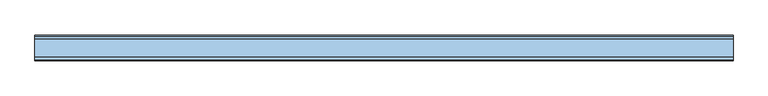
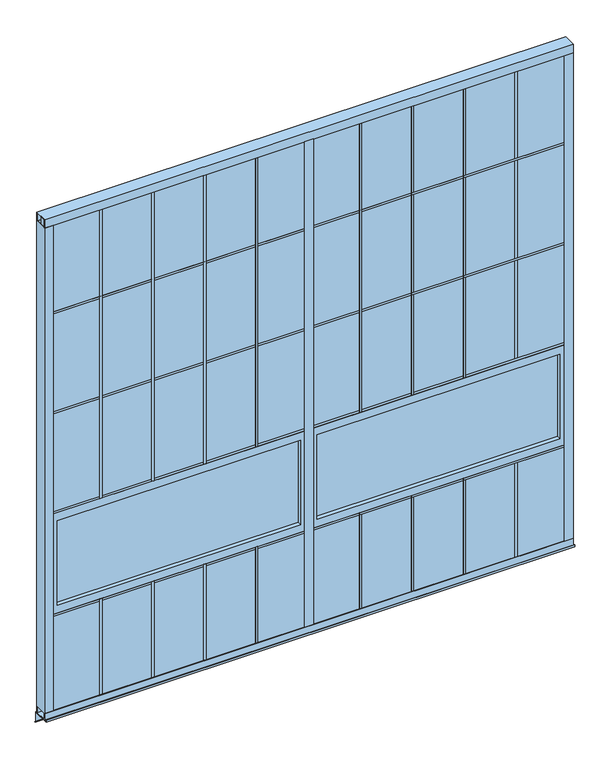
"""IFC4 building model written with IfcOpenShell, lengths in millimetres: window geometry."""

import ifcopenshell
import ifcopenshell.guid

model = None  # the IFC model being written
_history = None  # IfcOwnerHistory: only IFC2X3 demands one
_inside = {}  # id of a spatial element -> (the spatial element, [elements in it])
_under = {}  # id of a project, library or spatial element -> (it, [spatial elements below it])
_declared = {}  # id of a project -> (the project, [libraries it declares])
_typed = {}  # id of a type object -> (the type object, [elements of that type])
_made_of = {}  # id of a material, layer set ... -> (it, [elements and type objects made of it])


def new_model(schema):
    """Start an empty IFC model of exactly this schema.

    Asked for "IFC4X3", IfcOpenShell would pick the latest addendum, in which some entities
    have other attributes; the version numbers below select the first issue.
    IFC2X3 requires an IfcOwnerHistory on every rooted entity: one is made here for all.
    """
    global model, _history
    if schema == "IFC4X3":
        model = ifcopenshell.file(schema_version=(4, 3, 0, 0))
    else:
        model = ifcopenshell.file(schema=schema)
    _inside.clear()
    _under.clear()
    _declared.clear()
    _typed.clear()
    _made_of.clear()
    _history = None
    if model.schema == "IFC2X3":
        org = make("IfcOrganization", Name="unknown")
        user = make(
            "IfcPersonAndOrganization",
            ThePerson=make("IfcPerson", FamilyName="unknown"),
            TheOrganization=org,
        )
        app = make(
            "IfcApplication",
            ApplicationDeveloper=org,
            Version="unknown",
            ApplicationFullName="unknown",
            ApplicationIdentifier="unknown",
        )
        _history = make(
            "IfcOwnerHistory",
            OwningUser=user,
            OwningApplication=app,
            ChangeAction="ADDED",
            CreationDate=0,
        )
    return model


def make(cls, **values):
    """One entity of the class cls with the attributes given. An attribute that is None is left unset."""
    return model.create_entity(
        cls, **{name: value for name, value in values.items() if value is not None}
    )


def rooted(cls, **values):
    """An entity with a GlobalId (a new one), such as an element, a storey or a relation."""
    return make(cls, GlobalId=ifcopenshell.guid.new(), OwnerHistory=_history, **values)


def si_unit(unit_type, name, prefix=None):
    """IfcSIUnit, for example si_unit("LENGTHUNIT", "METRE", prefix="MILLI")."""
    return make("IfcSIUnit", UnitType=unit_type, Prefix=prefix, Name=name)


def assignment(units):
    """IfcUnitAssignment: the units of a project."""
    return None if units is None else make("IfcUnitAssignment", Units=units)


def point(xyz):
    """IfcCartesianPoint."""
    return None if xyz is None else make("IfcCartesianPoint", Coordinates=xyz)


def direction(xyz):
    """IfcDirection."""
    return None if xyz is None else make("IfcDirection", DirectionRatios=xyz)


def frame(location, z_axis=None, x_axis=None):
    """IfcAxis2Placement3D, a coordinate frame: its origin and axes. An axis left out is left unset."""
    return make(
        "IfcAxis2Placement3D",
        Location=point(location),
        Axis=direction(z_axis),
        RefDirection=direction(x_axis),
    )


def origin():
    """The frame at (0, 0, 0) with its axes left unset."""
    return frame((0.0, 0.0, 0.0))


def place(relative_to, where):
    """IfcLocalPlacement: puts the frame where relative to a parent placement (None: the world)."""
    return make(
        "IfcLocalPlacement", PlacementRelTo=relative_to, RelativePlacement=where
    )


def context(
    kind, dimensions, precision=None, world=None, true_north=None, identifier=None
):
    """IfcGeometricRepresentationContext, for example the 3D "Model" context."""
    return make(
        "IfcGeometricRepresentationContext",
        ContextIdentifier=identifier,
        ContextType=kind,
        CoordinateSpaceDimension=dimensions,
        Precision=precision,
        WorldCoordinateSystem=world,
        TrueNorth=true_north,
    )


def project(units=None, contexts=None):
    """IfcProject with its units and contexts."""
    return rooted(
        "IfcProject",
        Name="project",
        RepresentationContexts=contexts,
        UnitsInContext=assignment(units),
    )


def spatial(cls, under=None, at=None, **own):
    """A site, building, storey or space (cls), placed at a placement, below another one or the project."""
    s = rooted(cls, ObjectPlacement=at, **own)
    if under is not None:
        _under.setdefault(under.id(), (under, []))[1].append(s)
    return s


def polyline(points):
    """IfcPolyline through the points."""
    return make("IfcPolyline", Points=[point(p) for p in points])


def outline(outer, holes=None, kind="AREA"):
    """IfcArbitraryClosedProfileDef: a profile drawn as a closed curve; with holes, ...WithVoids."""
    if holes is None:
        return make("IfcArbitraryClosedProfileDef", ProfileType=kind, OuterCurve=outer)
    return make(
        "IfcArbitraryProfileDefWithVoids",
        ProfileType=kind,
        OuterCurve=outer,
        InnerCurves=holes,
    )


def extrude(swept, where, along, depth):
    """IfcExtrudedAreaSolid: the profile swept, set in the frame where, extruded along a direction by depth."""
    return make(
        "IfcExtrudedAreaSolid",
        SweptArea=swept,
        Position=where,
        ExtrudedDirection=direction(along),
        Depth=depth,
    )


def shape(context_of_items, identifier, shape_type, items):
    """IfcShapeRepresentation: the items that make up one representation, for example the "Body"."""
    return make(
        "IfcShapeRepresentation",
        ContextOfItems=context_of_items,
        RepresentationIdentifier=identifier,
        RepresentationType=shape_type,
        Items=items,
    )


def source(mapping_origin, context_of_items, identifier, shape_type, items):
    """IfcRepresentationMap: a shape defined once, which mapped items show again and again."""
    return make(
        "IfcRepresentationMap",
        MappingOrigin=mapping_origin,
        MappedRepresentation=shape(context_of_items, identifier, shape_type, items),
    )


def transform(
    local_origin,
    x_axis=None,
    y_axis=None,
    z_axis=None,
    scale=None,
    scale2=None,
    scale3=None,
    uniform=True,
):
    """IfcCartesianTransformationOperator3D, or its non-uniform kind. x_axis, y_axis, z_axis: its Axis1, 2, 3."""
    if uniform:
        return make(
            "IfcCartesianTransformationOperator3D",
            Axis1=direction(x_axis),
            Axis2=direction(y_axis),
            LocalOrigin=point(local_origin),
            Scale=scale,
            Axis3=direction(z_axis),
        )
    return make(
        "IfcCartesianTransformationOperator3DnonUniform",
        Axis1=direction(x_axis),
        Axis2=direction(y_axis),
        LocalOrigin=point(local_origin),
        Scale=scale,
        Axis3=direction(z_axis),
        Scale2=scale2,
        Scale3=scale3,
    )


def mapped(mapping_source, mapping_target):
    """IfcMappedItem: shows the shape of a source again, moved by a transform."""
    return make(
        "IfcMappedItem", MappingSource=mapping_source, MappingTarget=mapping_target
    )


def made_of(thing, what):
    """Note that an element or type object is made of a material, layer set ...; save() writes the relation."""
    if what is not None:
        _made_of.setdefault(what.id(), (what, []))[1].append(thing)
    return thing


def element(
    cls,
    number,
    at=None,
    inside=None,
    cuts=None,
    type_object=None,
    material=None,
    context=None,
    identifier="Body",
    shape_type=None,
    held_by="IfcProductDefinitionShape",
    body=None,
    shapes=None,
    **own,
):
    """One element of the class cls, such as IfcWall. Its Tag is "e" and its number.

    at: its placement. inside: the storey or other place that contains it. cuts: it is an
    opening in that element (IfcRelVoidsElement). A single representation is given by context,
    identifier, shape_type and body (its items); several are given by shapes. held_by: the class
    of the entity that holds the representations. save() writes the other relations.
    """
    e = rooted(cls, Tag="e%d" % number, ObjectPlacement=at, **own)
    if body is not None:
        shapes = [shape(context, identifier, shape_type, body)]
    if shapes is not None:
        e.Representation = make(held_by, Representations=shapes)
    if inside is not None:
        _inside.setdefault(inside.id(), (inside, []))[1].append(e)
    if cuts is not None:
        rooted(
            "IfcRelVoidsElement", RelatingBuildingElement=cuts, RelatedOpeningElement=e
        )
    if type_object is not None:
        _typed.setdefault(type_object.id(), (type_object, []))[1].append(e)
    return made_of(e, material)


def aggregate(whole, parts):
    """IfcRelAggregates: a whole, such as a stair, and the parts it consists of."""
    return rooted("IfcRelAggregates", RelatingObject=whole, RelatedObjects=parts)


def save(model, path):
    """Write the relations noted so far, then the file.

    IfcRelAggregates (storeys below a building ...), IfcRelContainedInSpatialStructure (elements
    in a storey), IfcRelDefinesByType, IfcRelAssociatesMaterial and IfcRelDeclares: one each for
    every whole, place, type object, material and project.
    """
    for whole, parts in _under.values():
        aggregate(whole, parts)
    for where, things in _inside.values():
        rooted(
            "IfcRelContainedInSpatialStructure",
            RelatedElements=things,
            RelatingStructure=where,
        )
    for kind, things in _typed.values():
        rooted("IfcRelDefinesByType", RelatedObjects=things, RelatingType=kind)
    for what, things in _made_of.values():
        rooted("IfcRelAssociatesMaterial", RelatedObjects=things, RelatingMaterial=what)
    for by, libraries in _declared.values():
        rooted("IfcRelDeclares", RelatingContext=by, RelatedDefinitions=libraries)
    model.write(path)


def window_e757e902(model_context):
    return source(origin(), model_context, "Body", "SweptSolid", [
        extrude(outline(polyline([(34.925, -6.35), (22.225, -6.35), (22.225, 63.5), (34.925, 63.5), (34.925, -6.35)])), frame((0.0, 0.0, 15.875), z_axis=(0.0, 0.0, 1.0), x_axis=(1.0, 0.0, 0.0)), (0.0, 0.0, 1.0), 609.6),
        extrude(outline(polyline([(334.01, -6.35), (321.31, -6.35), (321.31, 63.5), (334.01, 63.5), (334.01, -6.35)])), frame((0.0, 0.0, 15.875), z_axis=(0.0, 0.0, 1.0), x_axis=(1.0, 0.0, 0.0)), (0.0, 0.0, 1.0), 609.6),
        extrude(outline(polyline([(633.095, -6.35), (620.395, -6.35), (620.395, 63.5), (633.095, 63.5), (633.095, -6.35)])), frame((0.0, 0.0, 15.875), z_axis=(0.0, 0.0, 1.0), x_axis=(1.0, 0.0, 0.0)), (0.0, 0.0, 1.0), 609.6),
        extrude(outline(polyline([(932.18, -6.35), (919.48, -6.35), (919.48, 63.5), (932.18, 63.5), (932.18, -6.35)])), frame((0.0, 0.0, 15.875), z_axis=(0.0, 0.0, 1.0), x_axis=(1.0, 0.0, 0.0)), (0.0, 0.0, 1.0), 609.6),
        extrude(outline(polyline([(1231.265, -6.35), (1218.565, -6.35), (1218.565, 63.5), (1231.265, 63.5), (1231.265, -6.35)])), frame((0.0, 0.0, 15.875), z_axis=(0.0, 0.0, 1.0), x_axis=(1.0, 0.0, 0.0)), (0.0, 0.0, 1.0), 609.6),
        extrude(outline(polyline([(334.01, -6.35), (321.31, -6.35), (321.31, 63.5), (334.01, 63.5), (334.01, -6.35)])), frame((0.0, 0.0, 1235.075), z_axis=(0.0, 0.0, 1.0), x_axis=(1.0, 0.0, 0.0)), (0.0, 0.0, 1.0), 1790.7),
        extrude(outline(polyline([(633.095, -6.35), (620.395, -6.35), (620.395, 63.5), (633.095, 63.5), (633.095, -6.35)])), frame((0.0, 0.0, 1235.075), z_axis=(0.0, 0.0, 1.0), x_axis=(1.0, 0.0, 0.0)), (0.0, 0.0, 1.0), 1790.7),
        extrude(outline(polyline([(932.18, -6.35), (919.48, -6.35), (919.48, 63.5), (932.18, 63.5), (932.18, -6.35)])), frame((0.0, 0.0, 1235.075), z_axis=(0.0, 0.0, 1.0), x_axis=(1.0, 0.0, 0.0)), (0.0, 0.0, 1.0), 1790.7),
        extrude(outline(polyline([(1231.265, -6.35), (1218.565, -6.35), (1218.565, 63.5), (1231.265, 63.5), (1231.265, -6.35)])), frame((0.0, 0.0, 1235.075), z_axis=(0.0, 0.0, 1.0), x_axis=(1.0, 0.0, 0.0)), (0.0, 0.0, 1.0), 1790.7),
        extrude(outline(polyline([(1530.35, -6.35), (1517.65, -6.35), (1517.65, 63.5), (1530.35, 63.5), (1530.35, -6.35)])), frame((0.0, 0.0, 1235.075), z_axis=(0.0, 0.0, 1.0), x_axis=(1.0, 0.0, 0.0)), (0.0, 0.0, 1.0), 1790.7),
        extrude(outline(polyline([(1530.35, -6.35), (1517.65, -6.35), (1517.65, 63.5), (1530.35, 63.5), (1530.35, -6.35)])), frame((0.0, 0.0, 15.875), z_axis=(0.0, 0.0, 1.0), x_axis=(1.0, 0.0, 0.0)), (0.0, 0.0, 1.0), 609.6),
        extrude(outline(polyline([(1829.435, -6.35), (1816.735, -6.35), (1816.735, 63.5), (1829.435, 63.5), (1829.435, -6.35)])), frame((0.0, 0.0, 1235.075), z_axis=(0.0, 0.0, 1.0), x_axis=(1.0, 0.0, 0.0)), (0.0, 0.0, 1.0), 1790.7),
        extrude(outline(polyline([(28.575, -6.35), (28.575, 63.5), (3018.63125, 63.5), (3018.63125, -6.35), (28.575, -6.35)])), frame((0.0, 0.0, 2454.275), z_axis=(0.0, 0.0, 1.0), x_axis=(1.0, 0.0, 0.0)), (0.0, 0.0, 1.0), 12.7),
        extrude(outline(polyline([(76.2, 15.875), (76.2, 41.275), (1476.375, 41.275), (1476.375, 15.875), (76.2, 15.875)])), frame((0.0, 0.0, 673.1), z_axis=(0.0, 0.0, 1.0), x_axis=(1.0, 0.0, 0.0)), (0.0, 0.0, 1.0), 514.35),
        extrude(outline(polyline([(1235.075, 28.575), (625.475, 28.575), (625.475, 1524.0), (1235.075, 1524.0), (1235.075, 28.575)]), holes=[polyline([(1187.45, 1476.375), (673.1, 1476.375), (673.1, 76.2), (1187.45, 76.2), (1187.45, 1476.375)])]), frame((0.0, -6.35, 0.0), z_axis=(0.0, 1.0, 0.0), x_axis=(0.0, 0.0, 1.0)), (0.0, 0.0, 1.0), 69.85),
        extrude(outline(polyline([(1571.625, 15.875), (1571.625, 41.275), (2971.8, 41.275), (2971.8, 15.875), (1571.625, 15.875)])), frame((0.0, 0.0, 673.1), z_axis=(0.0, 0.0, 1.0), x_axis=(1.0, 0.0, 0.0)), (0.0, 0.0, 1.0), 514.35),
        extrude(outline(polyline([(1235.075, 1524.0), (625.475, 1524.0), (625.475, 3019.425), (1235.075, 3019.425), (1235.075, 1524.0)]), holes=[polyline([(1187.45, 2971.8), (673.1, 2971.8), (673.1, 1571.625), (1187.45, 1571.625), (1187.45, 2971.8)])]), frame((0.0, -6.35, 0.0), z_axis=(0.0, 1.0, 0.0), x_axis=(0.0, 0.0, 1.0)), (0.0, 0.0, 1.0), 69.85),
        extrude(outline(polyline([(28.575, -6.35), (28.575, 63.5), (3018.63125, 63.5), (3018.63125, -6.35), (28.575, -6.35)])), frame((0.0, 0.0, 612.775), z_axis=(0.0, 0.0, 1.0), x_axis=(1.0, 0.0, 0.0)), (0.0, 0.0, 1.0), 12.7),
        extrude(outline(polyline([(28.575, -6.35), (28.575, 63.5), (3018.63125, 63.5), (3018.63125, -6.35), (28.575, -6.35)])), frame((0.0, 0.0, 1844.675), z_axis=(0.0, 0.0, 1.0), x_axis=(1.0, 0.0, 0.0)), (0.0, 0.0, 1.0), 12.7),
        extrude(outline(polyline([(1829.435, -6.35), (1816.735, -6.35), (1816.735, 63.5), (1829.435, 63.5), (1829.435, -6.35)])), frame((0.0, 0.0, 15.875), z_axis=(0.0, 0.0, 1.0), x_axis=(1.0, 0.0, 0.0)), (0.0, 0.0, 1.0), 609.6),
        extrude(outline(polyline([(2128.52, -6.35), (2115.82, -6.35), (2115.82, 63.5), (2128.52, 63.5), (2128.52, -6.35)])), frame((0.0, 0.0, 15.875), z_axis=(0.0, 0.0, 1.0), x_axis=(1.0, 0.0, 0.0)), (0.0, 0.0, 1.0), 609.6),
        extrude(outline(polyline([(2427.605, -6.35), (2414.905, -6.35), (2414.905, 63.5), (2427.605, 63.5), (2427.605, -6.35)])), frame((0.0, 0.0, 15.875), z_axis=(0.0, 0.0, 1.0), x_axis=(1.0, 0.0, 0.0)), (0.0, 0.0, 1.0), 609.6),
        extrude(outline(polyline([(2726.69, -6.35), (2713.99, -6.35), (2713.99, 63.5), (2726.69, 63.5), (2726.69, -6.35)])), frame((0.0, 0.0, 15.875), z_axis=(0.0, 0.0, 1.0), x_axis=(1.0, 0.0, 0.0)), (0.0, 0.0, 1.0), 609.6),
        extrude(outline(polyline([(3025.775, -6.35), (3013.075, -6.35), (3013.075, 63.5), (3025.775, 63.5), (3025.775, -6.35)])), frame((0.0, 0.0, 15.875), z_axis=(0.0, 0.0, 1.0), x_axis=(1.0, 0.0, 0.0)), (0.0, 0.0, 1.0), 609.6),
        extrude(outline(polyline([(2128.52, -6.35), (2115.82, -6.35), (2115.82, 63.5), (2128.52, 63.5), (2128.52, -6.35)])), frame((0.0, 0.0, 1235.075), z_axis=(0.0, 0.0, 1.0), x_axis=(1.0, 0.0, 0.0)), (0.0, 0.0, 1.0), 1790.7),
        extrude(outline(polyline([(2427.605, -6.35), (2414.905, -6.35), (2414.905, 63.5), (2427.605, 63.5), (2427.605, -6.35)])), frame((0.0, 0.0, 1235.075), z_axis=(0.0, 0.0, 1.0), x_axis=(1.0, 0.0, 0.0)), (0.0, 0.0, 1.0), 1790.7),
        extrude(outline(polyline([(28.575, -6.35), (28.575, 63.5), (3018.63125, 63.5), (3018.63125, -6.35), (28.575, -6.35)])), frame((0.0, 0.0, 1235.075), z_axis=(0.0, 0.0, 1.0), x_axis=(1.0, 0.0, 0.0)), (0.0, 0.0, 1.0), 12.7),
        extrude(outline(polyline([(1498.6, -9.525), (1498.6, 66.675), (1549.4, 66.675), (1549.4, -9.525), (1498.6, -9.525)])), frame((0.0, 0.0, 41.275), z_axis=(0.0, 0.0, 1.0), x_axis=(1.0, 0.0, 0.0)), (0.0, 0.0, 1.0), 2955.925),
        extrude(outline(polyline([(2726.69, -6.35), (2713.99, -6.35), (2713.99, 63.5), (2726.69, 63.5), (2726.69, -6.35)])), frame((0.0, 0.0, 1235.075), z_axis=(0.0, 0.0, 1.0), x_axis=(1.0, 0.0, 0.0)), (0.0, 0.0, 1.0), 1790.7),
        extrude(outline(polyline([(34.925, -6.35), (22.225, -6.35), (22.225, 63.5), (34.925, 63.5), (34.925, -6.35)])), frame((0.0, 0.0, 1235.075), z_axis=(0.0, 0.0, 1.0), x_axis=(1.0, 0.0, 0.0)), (0.0, 0.0, 1.0), 1790.7),
        extrude(outline(polyline([(3025.775, -6.35), (3013.075, -6.35), (3013.075, 63.5), (3025.775, 63.5), (3025.775, -6.35)])), frame((0.0, 0.0, 1235.075), z_axis=(0.0, 0.0, 1.0), x_axis=(1.0, 0.0, 0.0)), (0.0, 0.0, 1.0), 1790.7),
        extrude(outline(polyline([(28.575, -6.35), (28.575, 63.5), (3019.425, 63.5), (3019.425, -6.35), (28.575, -6.35)])), frame((0.0, 0.0, 15.875), z_axis=(0.0, 0.0, 1.0), x_axis=(1.0, 0.0, 0.0)), (0.0, 0.0, 1.0), 609.6),
        extrude(outline(polyline([(28.575, -6.35), (28.575, 63.5), (3019.425, 63.5), (3019.425, -6.35), (28.575, -6.35)])), frame((0.0, 0.0, 1235.075), z_axis=(0.0, 0.0, 1.0), x_axis=(1.0, 0.0, 0.0)), (0.0, 0.0, 1.0), 1790.7),
        extrude(outline(polyline([(-9.525, 3048.0), (66.675, 3048.0), (66.675, 2997.2), (63.5, 2997.2), (63.5, 3044.825), (-6.35, 3044.825), (-6.35, 2997.2), (-9.525, 2997.2), (-9.525, 3048.0)])), frame((0.0, 0.0, 0.0), z_axis=(1.0, 0.0, 0.0), x_axis=(0.0, 1.0, 0.0)), (0.0, 0.0, 1.0), 3048.0),
        extrude(outline(polyline([(0.0, 66.675), (50.8, 66.675), (50.8, 63.5), (3.175, 63.5), (3.175, -6.35), (50.8, -6.35), (50.8, -9.525), (0.0, -9.525), (0.0, 66.675)])), frame((0.0, 0.0, 41.275), z_axis=(0.0, 0.0, 1.0), x_axis=(1.0, 0.0, 0.0)), (0.0, 0.0, 1.0), 2955.925),
        extrude(outline(polyline([(3048.0, 66.675), (3048.0, -9.525), (2997.2, -9.525), (2997.2, -6.35), (3044.825, -6.35), (3044.825, 63.5), (2997.2, 63.5), (2997.2, 66.675), (3048.0, 66.675)])), frame((0.0, 0.0, 41.275), z_axis=(0.0, 0.0, 1.0), x_axis=(1.0, 0.0, 0.0)), (0.0, 0.0, 1.0), 2955.925),
        extrude(outline(polyline([(-9.525, 0.0), (-9.525, 41.275), (-6.35, 41.275), (-6.35, 3.175), (63.5, 3.175), (63.5, 41.275), (66.675, 41.275), (66.675, 0.0), (-9.525, 0.0)])), frame((0.0, 0.0, 0.0), z_axis=(1.0, 0.0, 0.0), x_axis=(0.0, 1.0, 0.0)), (0.0, 0.0, 1.0), 3048.0),
        extrude(outline(polyline([(86.3027881, -67.139968), (85.1802561, -68.2625), (76.2, -59.2822439), (76.2, -1.5875), (-25.4, -1.5875), (-25.4, 11.1125), (-23.8125, 11.1125), (-23.8125, 0.0), (77.7875, 0.0), (77.7875, -58.6246798), (86.3027881, -67.139968)])), frame((0.0, 0.0, 0.0), z_axis=(1.0, 0.0, 0.0), x_axis=(0.0, 1.0, 0.0)), (0.0, 0.0, 1.0), 3048.0),
    ])


if __name__ == "__main__":
    model = new_model("IFC4")
    model_context = context("Model", 3, world=origin())
    ifc_project = project(units=[si_unit("LENGTHUNIT", "METRE", prefix="MILLI")], contexts=[model_context])
    site = spatial("IfcSite", under=ifc_project)
    building = spatial("IfcBuilding", under=site)
    placement = place(None, origin())
    window_shape = window_e757e902(model_context)
    element("IfcWindow", 1, at=placement, inside=building, context=model_context, shape_type="MappedRepresentation", body=[
        mapped(window_shape, transform((0.0, 0.0, 0.0), x_axis=(1.0, 0.0, 0.0), y_axis=(0.0, 1.0, 0.0), z_axis=(0.0, 0.0, 1.0))),
    ])
    save(model, "model.ifc")
